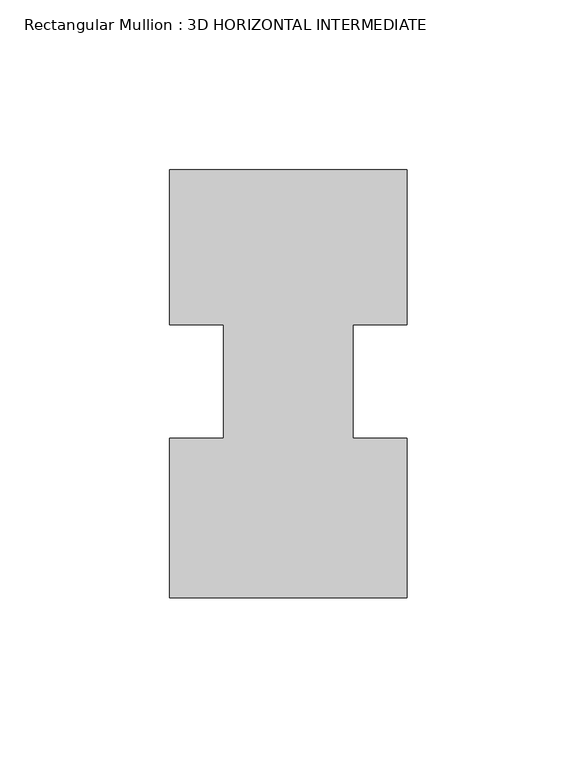
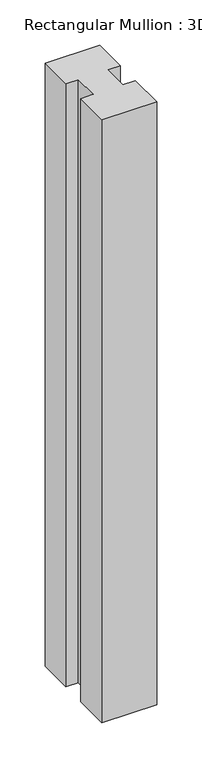
"""IFC4 building model written with IfcOpenShell, lengths in millimetres: member geometry, Rectangular Mullion : 3D HORIZONTAL INTERMEDIATE."""

from ifc_helpers import new_model, si_unit, frame, origin, place, context, project, spatial, polyline, outline, extrude, source, transform, mapped, element, save


def rectangular_mullion_3d_horizontal_intermediate_72c8f775(model_context):
    return source(origin(), model_context, "Body", "SweptSolid", [
        extrude(outline(polyline([(-19.05, 16.678595), (-34.925, 16.678595), (-34.925, 62.251905), (34.925, 62.251905), (34.925, 16.678595), (19.05, 16.678595), (19.05, -16.678595), (34.925, -16.678595), (34.925, -63.528895), (-34.925, -63.528895), (-34.925, -16.6844264), (-19.05, -16.6844264), (-19.05, 16.678595)])), frame((0.0, 0.0, -815.8826836), z_axis=(0.0, 0.0, 1.0), x_axis=(1.0, 0.0, 0.0)), (0.0, 0.0, 1.0), 815.8826836),
    ])


if __name__ == "__main__":
    model = new_model("IFC4")
    model_context = context("Model", 3, world=origin())
    ifc_project = project(units=[si_unit("LENGTHUNIT", "METRE", prefix="MILLI")], contexts=[model_context])
    site = spatial("IfcSite", under=ifc_project)
    building = spatial("IfcBuilding", under=site)
    placement = place(None, origin())
    rectangular_mullion_3d_horizontal_intermediate_shape = rectangular_mullion_3d_horizontal_intermediate_72c8f775(model_context)
    element("IfcMember", 1, ObjectType="Rectangular Mullion : 3D HORIZONTAL INTERMEDIATE", at=placement, inside=building, context=model_context, shape_type="MappedRepresentation", body=[
        mapped(rectangular_mullion_3d_horizontal_intermediate_shape, transform((0.0, 0.0, 0.0), x_axis=(1.0, 0.0, 0.0), y_axis=(0.0, 1.0, 0.0), z_axis=(0.0, 0.0, 1.0))),
    ])
    save(model, "model.ifc")
